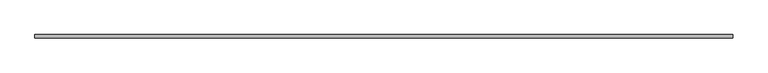
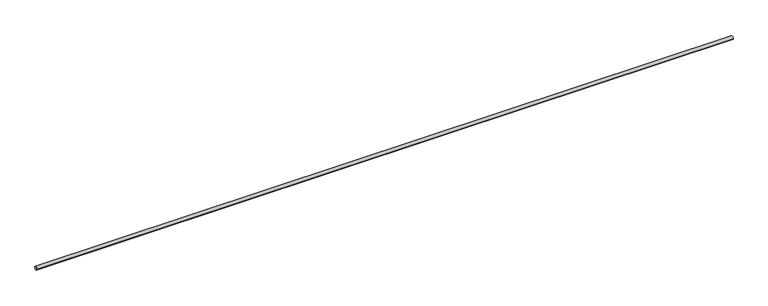
"""IFC4 building model written with IfcOpenShell, lengths in millimetres: proxy geometry."""

import ifcopenshell
import ifcopenshell.guid

model = None  # the IFC model being written
_history = None  # IfcOwnerHistory: only IFC2X3 demands one
_inside = {}  # id of a spatial element -> (the spatial element, [elements in it])
_under = {}  # id of a project, library or spatial element -> (it, [spatial elements below it])
_declared = {}  # id of a project -> (the project, [libraries it declares])
_typed = {}  # id of a type object -> (the type object, [elements of that type])
_made_of = {}  # id of a material, layer set ... -> (it, [elements and type objects made of it])


def new_model(schema):
    """Start an empty IFC model of exactly this schema.

    Asked for "IFC4X3", IfcOpenShell would pick the latest addendum, in which some entities
    have other attributes; the version numbers below select the first issue.
    IFC2X3 requires an IfcOwnerHistory on every rooted entity: one is made here for all.
    """
    global model, _history
    if schema == "IFC4X3":
        model = ifcopenshell.file(schema_version=(4, 3, 0, 0))
    else:
        model = ifcopenshell.file(schema=schema)
    _inside.clear()
    _under.clear()
    _declared.clear()
    _typed.clear()
    _made_of.clear()
    _history = None
    if model.schema == "IFC2X3":
        org = make("IfcOrganization", Name="unknown")
        user = make(
            "IfcPersonAndOrganization",
            ThePerson=make("IfcPerson", FamilyName="unknown"),
            TheOrganization=org,
        )
        app = make(
            "IfcApplication",
            ApplicationDeveloper=org,
            Version="unknown",
            ApplicationFullName="unknown",
            ApplicationIdentifier="unknown",
        )
        _history = make(
            "IfcOwnerHistory",
            OwningUser=user,
            OwningApplication=app,
            ChangeAction="ADDED",
            CreationDate=0,
        )
    return model


def make(cls, **values):
    """One entity of the class cls with the attributes given. An attribute that is None is left unset."""
    return model.create_entity(
        cls, **{name: value for name, value in values.items() if value is not None}
    )


def rooted(cls, **values):
    """An entity with a GlobalId (a new one), such as an element, a storey or a relation."""
    return make(cls, GlobalId=ifcopenshell.guid.new(), OwnerHistory=_history, **values)


def si_unit(unit_type, name, prefix=None):
    """IfcSIUnit, for example si_unit("LENGTHUNIT", "METRE", prefix="MILLI")."""
    return make("IfcSIUnit", UnitType=unit_type, Prefix=prefix, Name=name)


def assignment(units):
    """IfcUnitAssignment: the units of a project."""
    return None if units is None else make("IfcUnitAssignment", Units=units)


def point(xyz):
    """IfcCartesianPoint."""
    return None if xyz is None else make("IfcCartesianPoint", Coordinates=xyz)


def direction(xyz):
    """IfcDirection."""
    return None if xyz is None else make("IfcDirection", DirectionRatios=xyz)


def frame(location, z_axis=None, x_axis=None):
    """IfcAxis2Placement3D, a coordinate frame: its origin and axes. An axis left out is left unset."""
    return make(
        "IfcAxis2Placement3D",
        Location=point(location),
        Axis=direction(z_axis),
        RefDirection=direction(x_axis),
    )


def frame_2d(location, x_axis=None):
    """IfcAxis2Placement2D, a coordinate frame in the plane: its origin and x axis."""
    return make(
        "IfcAxis2Placement2D", Location=point(location), RefDirection=direction(x_axis)
    )


def origin():
    """The frame at (0, 0, 0) with its axes left unset."""
    return frame((0.0, 0.0, 0.0))


def origin_2d():
    """The frame at (0, 0) in the plane with its x axis left unset."""
    return frame_2d((0.0, 0.0))


def place(relative_to, where):
    """IfcLocalPlacement: puts the frame where relative to a parent placement (None: the world)."""
    return make(
        "IfcLocalPlacement", PlacementRelTo=relative_to, RelativePlacement=where
    )


def context(
    kind, dimensions, precision=None, world=None, true_north=None, identifier=None
):
    """IfcGeometricRepresentationContext, for example the 3D "Model" context."""
    return make(
        "IfcGeometricRepresentationContext",
        ContextIdentifier=identifier,
        ContextType=kind,
        CoordinateSpaceDimension=dimensions,
        Precision=precision,
        WorldCoordinateSystem=world,
        TrueNorth=true_north,
    )


def project(units=None, contexts=None):
    """IfcProject with its units and contexts."""
    return rooted(
        "IfcProject",
        Name="project",
        RepresentationContexts=contexts,
        UnitsInContext=assignment(units),
    )


def spatial(cls, under=None, at=None, **own):
    """A site, building, storey or space (cls), placed at a placement, below another one or the project."""
    s = rooted(cls, ObjectPlacement=at, **own)
    if under is not None:
        _under.setdefault(under.id(), (under, []))[1].append(s)
    return s


def circle_curve(where, radius):
    """IfcCircle in the frame where."""
    return make("IfcCircle", Position=where, Radius=radius)


def trimmed(basis, trim1, trim2, sense, master):
    """IfcTrimmedCurve: the piece of a basis curve between two trims."""
    return make(
        "IfcTrimmedCurve",
        BasisCurve=basis,
        Trim1=trim1,
        Trim2=trim2,
        SenseAgreement=sense,
        MasterRepresentation=master,
    )


def segment(curve, same_sense, transition):
    """IfcCompositeCurveSegment."""
    return make(
        "IfcCompositeCurveSegment",
        Transition=transition,
        SameSense=same_sense,
        ParentCurve=curve,
    )


def composite_curve(segments, self_intersect=None):
    """IfcCompositeCurve: segments joined end to end."""
    return make("IfcCompositeCurve", Segments=segments, SelfIntersect=self_intersect)


def outline(outer, holes=None, kind="AREA"):
    """IfcArbitraryClosedProfileDef: a profile drawn as a closed curve; with holes, ...WithVoids."""
    if holes is None:
        return make("IfcArbitraryClosedProfileDef", ProfileType=kind, OuterCurve=outer)
    return make(
        "IfcArbitraryProfileDefWithVoids",
        ProfileType=kind,
        OuterCurve=outer,
        InnerCurves=holes,
    )


def extrude(swept, where, along, depth):
    """IfcExtrudedAreaSolid: the profile swept, set in the frame where, extruded along a direction by depth."""
    return make(
        "IfcExtrudedAreaSolid",
        SweptArea=swept,
        Position=where,
        ExtrudedDirection=direction(along),
        Depth=depth,
    )


def shape(context_of_items, identifier, shape_type, items):
    """IfcShapeRepresentation: the items that make up one representation, for example the "Body"."""
    return make(
        "IfcShapeRepresentation",
        ContextOfItems=context_of_items,
        RepresentationIdentifier=identifier,
        RepresentationType=shape_type,
        Items=items,
    )


def source(mapping_origin, context_of_items, identifier, shape_type, items):
    """IfcRepresentationMap: a shape defined once, which mapped items show again and again."""
    return make(
        "IfcRepresentationMap",
        MappingOrigin=mapping_origin,
        MappedRepresentation=shape(context_of_items, identifier, shape_type, items),
    )


def transform(
    local_origin,
    x_axis=None,
    y_axis=None,
    z_axis=None,
    scale=None,
    scale2=None,
    scale3=None,
    uniform=True,
):
    """IfcCartesianTransformationOperator3D, or its non-uniform kind. x_axis, y_axis, z_axis: its Axis1, 2, 3."""
    if uniform:
        return make(
            "IfcCartesianTransformationOperator3D",
            Axis1=direction(x_axis),
            Axis2=direction(y_axis),
            LocalOrigin=point(local_origin),
            Scale=scale,
            Axis3=direction(z_axis),
        )
    return make(
        "IfcCartesianTransformationOperator3DnonUniform",
        Axis1=direction(x_axis),
        Axis2=direction(y_axis),
        LocalOrigin=point(local_origin),
        Scale=scale,
        Axis3=direction(z_axis),
        Scale2=scale2,
        Scale3=scale3,
    )


def mapped(mapping_source, mapping_target):
    """IfcMappedItem: shows the shape of a source again, moved by a transform."""
    return make(
        "IfcMappedItem", MappingSource=mapping_source, MappingTarget=mapping_target
    )


def made_of(thing, what):
    """Note that an element or type object is made of a material, layer set ...; save() writes the relation."""
    if what is not None:
        _made_of.setdefault(what.id(), (what, []))[1].append(thing)
    return thing


def element(
    cls,
    number,
    at=None,
    inside=None,
    cuts=None,
    type_object=None,
    material=None,
    context=None,
    identifier="Body",
    shape_type=None,
    held_by="IfcProductDefinitionShape",
    body=None,
    shapes=None,
    **own,
):
    """One element of the class cls, such as IfcWall. Its Tag is "e" and its number.

    at: its placement. inside: the storey or other place that contains it. cuts: it is an
    opening in that element (IfcRelVoidsElement). A single representation is given by context,
    identifier, shape_type and body (its items); several are given by shapes. held_by: the class
    of the entity that holds the representations. save() writes the other relations.
    """
    e = rooted(cls, Tag="e%d" % number, ObjectPlacement=at, **own)
    if body is not None:
        shapes = [shape(context, identifier, shape_type, body)]
    if shapes is not None:
        e.Representation = make(held_by, Representations=shapes)
    if inside is not None:
        _inside.setdefault(inside.id(), (inside, []))[1].append(e)
    if cuts is not None:
        rooted(
            "IfcRelVoidsElement", RelatingBuildingElement=cuts, RelatedOpeningElement=e
        )
    if type_object is not None:
        _typed.setdefault(type_object.id(), (type_object, []))[1].append(e)
    return made_of(e, material)


def aggregate(whole, parts):
    """IfcRelAggregates: a whole, such as a stair, and the parts it consists of."""
    return rooted("IfcRelAggregates", RelatingObject=whole, RelatedObjects=parts)


def save(model, path):
    """Write the relations noted so far, then the file.

    IfcRelAggregates (storeys below a building ...), IfcRelContainedInSpatialStructure (elements
    in a storey), IfcRelDefinesByType, IfcRelAssociatesMaterial and IfcRelDeclares: one each for
    every whole, place, type object, material and project.
    """
    for whole, parts in _under.values():
        aggregate(whole, parts)
    for where, things in _inside.values():
        rooted(
            "IfcRelContainedInSpatialStructure",
            RelatedElements=things,
            RelatingStructure=where,
        )
    for kind, things in _typed.values():
        rooted("IfcRelDefinesByType", RelatedObjects=things, RelatingType=kind)
    for what, things in _made_of.values():
        rooted("IfcRelAssociatesMaterial", RelatedObjects=things, RelatingMaterial=what)
    for by, libraries in _declared.values():
        rooted("IfcRelDeclares", RelatingContext=by, RelatedDefinitions=libraries)
    model.write(path)


def generic_models_e535c3d9(model_context):
    return source(origin(), model_context, "Body", "SweptSolid", [
        extrude(outline(composite_curve([segment(trimmed(circle_curve(origin_2d(), 5.0), [point((-5.0, 0.0))], [point((5.0, 0.0))], False, "CARTESIAN"), True, "CONTINUOUS"), segment(trimmed(circle_curve(origin_2d(), 5.0), [point((5.0, 0.0))], [point((-5.0, 0.0))], False, "CARTESIAN"), True, "CONTINUOUS")], self_intersect=False)), frame((-1000.0, 0.0, 0.0), z_axis=(1.0, 0.0, 0.0), x_axis=(0.0, 1.0, 0.0)), (0.0, 0.0, 1.0), 2000.0),
    ])


if __name__ == "__main__":
    model = new_model("IFC4")
    model_context = context("Model", 3, world=origin())
    ifc_project = project(units=[si_unit("LENGTHUNIT", "METRE", prefix="MILLI")], contexts=[model_context])
    site = spatial("IfcSite", under=ifc_project)
    building = spatial("IfcBuilding", under=site)
    placement = place(None, origin())
    generic_models_shape = generic_models_e535c3d9(model_context)
    element("IfcBuildingElementProxy", 1, Name="Generic Models", at=placement, inside=building, context=model_context, shape_type="MappedRepresentation", body=[
        mapped(generic_models_shape, transform((0.0, 0.0, 0.0), x_axis=(1.0, 0.0, 0.0), y_axis=(0.0, 1.0, 0.0), z_axis=(0.0, 0.0, 1.0))),
    ])
    save(model, "model.ifc")
